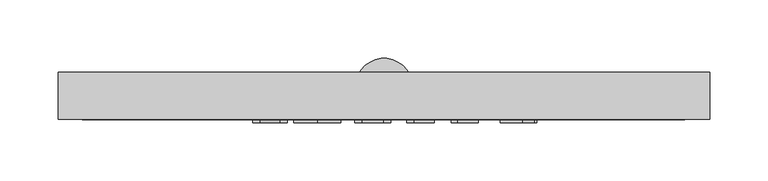
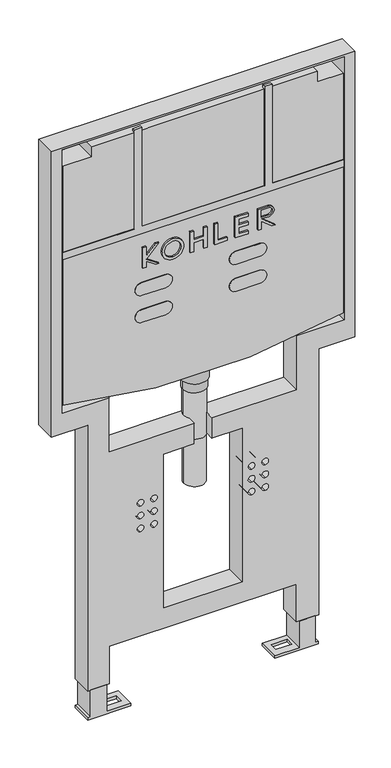
"""IFC4 building model written with IfcOpenShell, lengths in millimetres: proxy geometry."""

from ifc_helpers import new_model, si_unit, point, frame, frame_2d, origin, place, context, project, spatial, polyline, circle_curve, trimmed, segment, composite_curve, outline, extrude, faceted_brep, source, transform, mapped, element, save
from ifc_brep_helpers import plane_surface, cylinder_surface, revolved_surface, advanced_brep


def generic_models_a94a00e4(model_context):
    return source(origin(), model_context, "Body", "SolidModel", [
        faceted_brep([(172.0, -11.0, -1113.8624091), (172.0, -11.0, -1118.8624091), (172.0, -26.0, -1118.8624091), (172.0, -26.0, -1113.8624091), (142.0, -11.0, -1113.8624091), (142.0, -11.0, -1118.8624091), (142.0, -26.0, -1113.8624091), (142.0, -26.0, -1118.8624091), (132.0, -40.0, -1118.8624091), (212.0, -40.0, -1118.8624091), (212.0, -40.0, -1113.8624091), (207.0, -40.0, -1113.8624091), (207.0, -40.0, -1062.1624091), (177.0, -40.0, -1062.1624091), (177.0, -40.0, -1113.8624091), (132.0, -40.0, -1113.8624091), (132.0, 0.0, -1118.8624091), (132.0, 0.0, -1113.8624091), (177.0, 0.0, -1113.8624091), (177.0, 0.0, -1062.1624091), (207.0, 0.0, -1062.1624091), (207.0, 0.0, -1113.8624091), (212.0, 0.0, -1113.8624091), (212.0, 0.0, -1118.8624091)], [[[0, 1, 2, 3]], [[1, 0, 4, 5]], [[5, 4, 6, 7]], [[3, 2, 7, 6]], [[8, 9, 10, 11, 12, 13, 14, 15]], [[16, 17, 18, 19, 20, 21, 22, 23]], [[8, 15, 17, 16]], [[15, 14, 18, 17], [0, 3, 6, 4]], [[14, 13, 19, 18]], [[13, 12, 20, 19]], [[12, 11, 21, 20]], [[11, 10, 22, 21]], [[10, 9, 23, 22]], [[9, 8, 16, 23], [2, 1, 5, 7]]]),
        faceted_brep([(-143.0, -11.0, -1113.8624091), (-143.0, -11.0, -1118.8624091), (-143.0, -26.0, -1118.8624091), (-143.0, -26.0, -1113.8624091), (-173.0, -11.0, -1113.8624091), (-173.0, -11.0, -1118.8624091), (-173.0, -26.0, -1113.8624091), (-173.0, -26.0, -1118.8624091), (-178.0, -40.0, -1113.8624091), (-178.0, -40.0, -1062.1624091), (-208.0, -40.0, -1062.1624091), (-208.0, -40.0, -1113.8624091), (-213.0, -40.0, -1113.8624091), (-213.0, -40.0, -1118.8624091), (-133.0, -40.0, -1118.8624091), (-133.0, -40.0, -1113.8624091), (-178.0, 0.0, -1113.8624091), (-133.0, 0.0, -1113.8624091), (-133.0, 0.0, -1118.8624091), (-213.0, 0.0, -1118.8624091), (-213.0, 0.0, -1113.8624091), (-208.0, 0.0, -1113.8624091), (-208.0, 0.0, -1062.1624091), (-178.0, 0.0, -1062.1624091)], [[[0, 1, 2, 3]], [[1, 0, 4, 5]], [[5, 4, 6, 7]], [[3, 2, 7, 6]], [[8, 9, 10, 11, 12, 13, 14, 15]], [[16, 17, 18, 19, 20, 21, 22, 23]], [[8, 15, 17, 16], [0, 3, 6, 4]], [[15, 14, 18, 17]], [[14, 13, 19, 18], [2, 1, 5, 7]], [[13, 12, 20, 19]], [[12, 11, 21, 20]], [[11, 10, 22, 21]], [[10, 9, 23, 22]], [[9, 8, 16, 23]]]),
        extrude(outline(composite_curve([segment(trimmed(circle_curve(frame_2d((-2891.792705, 9.057781)), 2896.5995088), [point((2.2265655, -113.1763227))], [point((1.6013198, -127.1763227))], False, "CARTESIAN"), True, "CONTINUOUS"), segment(polyline([(1.6013198, -127.1763227), (-190.905726, -127.1763227), (-190.905726, -259.3019083), (-204.905726, -259.3019083), (-204.905726, 258.5644028), (-190.905726, 258.5644028), (-190.905726, 126.8236773), (2.411833, 126.8236773)]), True, "CONTINUOUS"), segment(trimmed(circle_curve(frame_2d((-2891.7927047, 9.057781)), 2896.5995085), [point((2.411833, 126.8236773))], [point((2.9475861, 112.8236773))], False, "CARTESIAN"), True, "CONTINUOUS"), segment(polyline([(2.9475861, 112.8236773), (-190.905726, 112.8236773), (-190.905726, -113.1763227), (2.2265655, -113.1763227)]), True, "CONTINUOUS")], self_intersect=False)), frame((0.0, -40.7342023, 0.0), z_axis=(0.0, 1.0, 0.0), x_axis=(0.0, 0.0, 1.0)), (0.0, 0.0, 1.0), 5.2342023),
        extrude(outline(composite_curve([segment(polyline([(-377.7772284, -113.1763227), (-377.7772284, -69.562992)]), True, "CONTINUOUS"), segment(trimmed(circle_curve(frame_2d((-365.2772284, -69.562992)), 12.5), [point((-377.7772284, -69.562992))], [point((-352.7772284, -69.562992))], False, "CARTESIAN"), True, "CONTINUOUS"), segment(polyline([(-352.7772284, -69.562992), (-352.7772284, -113.1763227)]), True, "CONTINUOUS"), segment(trimmed(circle_curve(frame_2d((-365.2772284, -113.1763227)), 12.5), [point((-352.7772284, -113.1763227))], [point((-377.7772284, -113.1763227))], False, "CARTESIAN"), True, "CONTINUOUS")], self_intersect=False)), frame((0.0, -40.7342023, 0.0), z_axis=(0.0, 1.0, 0.0), x_axis=(0.0, 0.0, 1.0)), (0.0, 0.0, 1.0), 5.2342023),
        extrude(outline(composite_curve([segment(polyline([(-300.1626026, -69.562992), (-300.1626026, -113.1763227)]), True, "CONTINUOUS"), segment(trimmed(circle_curve(frame_2d((-312.6626026, -113.1763227)), 12.5), [point((-300.1626026, -113.1763227))], [point((-325.1626026, -113.1763227))], False, "CARTESIAN"), True, "CONTINUOUS"), segment(polyline([(-325.1626026, -113.1763227), (-325.1626026, -69.562992)]), True, "CONTINUOUS"), segment(trimmed(circle_curve(frame_2d((-312.6626026, -69.562992)), 12.5), [point((-325.1626026, -69.562992))], [point((-300.1626026, -69.562992))], False, "CARTESIAN"), True, "CONTINUOUS")], self_intersect=False)), frame((0.0, -40.7342023, 0.0), z_axis=(0.0, 1.0, 0.0), x_axis=(0.0, 0.0, 1.0)), (0.0, 0.0, 1.0), 5.2342023),
        extrude(outline(composite_curve([segment(trimmed(circle_curve(frame_2d((-312.6626026, 104.1723913)), 12.5), [point((-325.1626026, 104.1723913))], [point((-300.1626026, 104.1723913))], False, "CARTESIAN"), True, "CONTINUOUS"), segment(polyline([(-300.1626026, 104.1723913), (-300.1626026, 60.5590606)]), True, "CONTINUOUS"), segment(trimmed(circle_curve(frame_2d((-312.6626026, 60.5590606)), 12.5), [point((-300.1626026, 60.5590606))], [point((-325.1626026, 60.5590606))], False, "CARTESIAN"), True, "CONTINUOUS"), segment(polyline([(-325.1626026, 60.5590606), (-325.1626026, 104.1723913)]), True, "CONTINUOUS")], self_intersect=False)), frame((0.0, -40.7342023, 0.0), z_axis=(0.0, 1.0, 0.0), x_axis=(0.0, 0.0, 1.0)), (0.0, 0.0, 1.0), 5.2342023),
        extrude(outline(composite_curve([segment(polyline([(-377.7772284, 60.5590606), (-377.7772284, 104.1723913)]), True, "CONTINUOUS"), segment(trimmed(circle_curve(frame_2d((-365.2772284, 104.1723913)), 12.5), [point((-377.7772284, 104.1723913))], [point((-352.7772284, 104.1723913))], False, "CARTESIAN"), True, "CONTINUOUS"), segment(polyline([(-352.7772284, 104.1723913), (-352.7772284, 60.5590606)]), True, "CONTINUOUS"), segment(trimmed(circle_curve(frame_2d((-365.2772284, 60.5590606)), 12.5), [point((-352.7772284, 60.5590606))], [point((-377.7772284, 60.5590606))], False, "CARTESIAN"), True, "CONTINUOUS")], self_intersect=False)), frame((0.0, -40.7342023, 0.0), z_axis=(0.0, 1.0, 0.0), x_axis=(0.0, 0.0, 1.0)), (0.0, 0.0, 1.0), 5.2342023),
        advanced_brep(
        [(19.0, -11.7085467, -557.4124091), (-19.0, -11.7085467, -557.4124091), (-19.0, -11.7085467, -609.1624091), (-16.2144977, -21.6125895, -609.1624091), (-16.2144977, -21.6125895, -649.1624091), (16.2144977, -21.6125895, -649.1624091), (16.2144977, -21.6125895, -609.1624091), (19.0, -11.7085467, -609.1624091), (16.2144977, -1.8045038, -609.1624091), (16.2144977, -1.8045038, -649.1624091), (-16.2144977, -1.8045038, -649.1624091), (-16.2144977, -1.8045038, -609.1624091), (-21.5, -11.7085467, -557.4124091), (21.5, -11.7085467, -557.4124091), (21.5, -11.7085467, -538.6624091), (-21.5, -11.7085467, -538.6624091), (-24.0, -11.7085467, -514.9124091), (24.0, -11.7085467, -514.9124091), (-24.0, -11.7085467, -538.6624091), (24.0, -11.7085467, -538.6624091), (19.0, -11.7085467, -742.1624091), (-19.0, -11.7085467, -742.1624091), (19.0, -11.7085467, -649.1624091), (-19.0, -11.7085467, -649.1624091), (280.0, -40.0, 12.8375909), (-280.0, -40.0, 12.8375909), (-280.0, -40.0, -544.1624091), (-213.0, -40.0, -544.1624091), (-213.0, -40.0, -1062.1624091), (-173.0, -40.0, -1062.1624091), (-173.0, -40.0, -989.1624091), (172.0, -40.0, -989.1624091), (172.0, -40.0, -1062.1624091), (213.0, -40.0, -1062.1624091), (213.0, -40.0, -544.1624091), (280.0, -40.0, -544.1624091), (114.5, -40.0, -785.2548396), (114.5, -40.0, -773.2548396), (89.5, -40.0, -785.2548396), (89.5, -40.0, -773.2548396), (89.5, -40.0, -760.2548396), (89.5, -40.0, -748.2548396), (114.5, -40.0, -735.2548396), (114.5, -40.0, -723.2548396), (-90.5, -40.0, -785.2548396), (-90.5, -40.0, -773.2548396), (-90.5, -40.0, -760.2548396), (-90.5, -40.0, -748.2548396), (-115.5, -40.0, -735.2548396), (-115.5, -40.0, -723.2548396), (-90.5, -40.0, -735.2548396), (-90.5, -40.0, -723.2548396), (-115.5, -40.0, -760.2548396), (-115.5, -40.0, -748.2548396), (-115.5, -40.0, -785.2548396), (-115.5, -40.0, -773.2548396), (89.5, -40.0, -735.2548396), (89.5, -40.0, -723.2548396), (114.5, -40.0, -760.2548396), (114.5, -40.0, -748.2548396), (-16.2144977, -40.0, -649.1624091), (-16.2144977, -40.0, -609.1624091), (-173.0, -40.0, -609.1624091), (-173.0, -40.0, -504.1624091), (-260.0, -40.0, -504.1624091), (-260.0, -40.0, 9.2375909), (260.0, -40.0, 9.2375909), (260.0, -40.0, -504.1624091), (172.0, -40.0, -504.1624091), (172.0, -40.0, -609.1624091), (16.2144977, -40.0, -609.1624091), (16.2144977, -40.0, -649.1624091), (72.0, -40.0, -649.1624091), (72.0, -40.0, -949.1624091), (-73.0, -40.0, -949.1624091), (-73.0, -40.0, -649.1624091), (280.0, 0.0, 12.8375909), (280.0, 0.0, -544.1624091), (213.0, 0.0, -544.1624091), (213.0, 0.0, -1062.1624091), (172.0, 0.0, -1062.1624091), (172.0, 0.0, -989.1624091), (-173.0, 0.0, -989.1624091), (-173.0, 0.0, -1062.1624091), (-213.0, 0.0, -1062.1624091), (-213.0, 0.0, -544.1624091), (-280.0, 0.0, -544.1624091), (-280.0, 0.0, 12.8375909), (114.5, 0.0, -785.2548396), (114.5, 0.0, -773.2548396), (89.5, 0.0, -785.2548396), (89.5, 0.0, -773.2548396), (89.5, 0.0, -760.2548396), (89.5, 0.0, -748.2548396), (114.5, 0.0, -735.2548396), (114.5, 0.0, -723.2548396), (-90.5, 0.0, -785.2548396), (-90.5, 0.0, -773.2548396), (-90.5, 0.0, -760.2548396), (-90.5, 0.0, -748.2548396), (-115.5, 0.0, -735.2548396), (-115.5, 0.0, -723.2548396), (-90.5, 0.0, -735.2548396), (-90.5, 0.0, -723.2548396), (-115.5, 0.0, -760.2548396), (-115.5, 0.0, -748.2548396), (-115.5, 0.0, -785.2548396), (-115.5, 0.0, -773.2548396), (89.5, 0.0, -735.2548396), (89.5, 0.0, -723.2548396), (114.5, 0.0, -760.2548396), (114.5, 0.0, -748.2548396), (-16.2144977, 0.0, -649.1624091), (-73.0, 0.0, -649.1624091), (-73.0, 0.0, -949.1624091), (72.0, 0.0, -949.1624091), (72.0, 0.0, -649.1624091), (16.2144977, 0.0, -649.1624091), (16.2144977, 0.0, -609.1624091), (172.0, 0.0, -609.1624091), (172.0, 0.0, -504.1624091), (260.0, 0.0, -504.1624091), (260.0, 0.0, 9.2375909), (-260.0, 0.0, 9.2375909), (-260.0, 0.0, -504.1624091), (-173.0, 0.0, -504.1624091), (-173.0, 0.0, -609.1624091), (-16.2144977, 0.0, -609.1624091)],
        [
            (0, 1, circle_curve(frame((0.0, -11.7085467, -557.4124091), z_axis=(0.0, 0.0, -1.0), x_axis=(0.0, 1.0, 0.0)), 19.0)),
            (1, 2),
            (2, 3, circle_curve(frame((0.0, -11.7085467, -609.1624091), z_axis=(0.0, 0.0, 1.0), x_axis=(0.0, 1.0, 0.0)), 19.0)),
            (3, 4),
            (4, 5, circle_curve(frame((0.0, -11.7085467, -649.1624091), z_axis=(0.0, 0.0, 1.0), x_axis=(0.0, 1.0, 0.0)), 19.0)),
            (5, 6),
            (6, 7, circle_curve(frame((0.0, -11.7085467, -609.1624091), z_axis=(0.0, 0.0, 1.0), x_axis=(0.0, 1.0, 0.0)), 19.0)),
            (7, 0),
            (1, 0, circle_curve(frame((0.0, -11.7085467, -557.4124091), z_axis=(0.0, 0.0, -1.0), x_axis=(0.0, 1.0, 0.0)), 19.0)),
            (7, 8, circle_curve(frame((0.0, -11.7085467, -609.1624091), z_axis=(0.0, 0.0, 1.0), x_axis=(0.0, 1.0, 0.0)), 19.0)),
            (8, 9),
            (9, 10, circle_curve(frame((0.0, -11.7085467, -649.1624091), z_axis=(0.0, 0.0, 1.0), x_axis=(0.0, 1.0, 0.0)), 19.0)),
            (10, 11),
            (11, 2, circle_curve(frame((0.0, -11.7085467, -609.1624091), z_axis=(0.0, 0.0, 1.0), x_axis=(0.0, 1.0, 0.0)), 19.0)),
            (12, 13, circle_curve(frame((0.0, -11.7085467, -557.4124091), z_axis=(0.0, 0.0, -1.0), x_axis=(-1.0, 0.0, 0.0)), 21.5)),
            (13, 12, circle_curve(frame((0.0, -11.7085467, -557.4124091), z_axis=(0.0, 0.0, -1.0), x_axis=(-1.0, 0.0, 0.0)), 21.5)),
            (13, 14),
            (14, 15, circle_curve(frame((0.0, -11.7085467, -538.6624091), z_axis=(0.0, 0.0, -1.0), x_axis=(-1.0, 0.0, 0.0)), 21.5)),
            (15, 12),
            (15, 14, circle_curve(frame((0.0, -11.7085467, -538.6624091), z_axis=(0.0, 0.0, -1.0), x_axis=(-1.0, 0.0, 0.0)), 21.5)),
            (16, 17, circle_curve(frame((0.0, -11.7085467, -514.9124091), z_axis=(0.0, 0.0, 1.0), x_axis=(0.0, -1.0, 0.0)), 24.0)),
            (17, 16, circle_curve(frame((0.0, -11.7085467, -514.9124091), z_axis=(0.0, 0.0, 1.0), x_axis=(0.0, -1.0, 0.0)), 24.0)),
            (18, 19, circle_curve(frame((0.0, -11.7085467, -538.6624091), z_axis=(0.0, 0.0, -1.0), x_axis=(0.0, -1.0, 0.0)), 24.0)),
            (19, 18, circle_curve(frame((0.0, -11.7085467, -538.6624091), z_axis=(0.0, 0.0, -1.0), x_axis=(0.0, -1.0, 0.0)), 24.0)),
            (16, 18),
            (19, 17),
            (20, 21, circle_curve(frame((0.0, -11.7085467, -742.1624091), z_axis=(0.0, 0.0, -1.0), x_axis=(0.0, -1.0, 0.0)), 19.0)),
            (21, 20, circle_curve(frame((0.0, -11.7085467, -742.1624091), z_axis=(0.0, 0.0, -1.0), x_axis=(0.0, -1.0, 0.0)), 19.0)),
            (20, 22),
            (22, 5, circle_curve(frame((0.0, -11.7085467, -649.1624091), z_axis=(0.0, 0.0, -1.0), x_axis=(0.0, -1.0, 0.0)), 19.0)),
            (4, 23, circle_curve(frame((0.0, -11.7085467, -649.1624091), z_axis=(0.0, 0.0, -1.0), x_axis=(0.0, -1.0, 0.0)), 19.0)),
            (23, 21),
            (23, 10, circle_curve(frame((0.0, -11.7085467, -649.1624091), z_axis=(0.0, 0.0, -1.0), x_axis=(0.0, -1.0, 0.0)), 19.0)),
            (9, 22, circle_curve(frame((0.0, -11.7085467, -649.1624091), z_axis=(0.0, 0.0, -1.0), x_axis=(0.0, -1.0, 0.0)), 19.0)),
            (24, 25),
            (25, 26),
            (26, 27),
            (27, 28),
            (28, 29),
            (29, 30),
            (30, 31),
            (31, 32),
            (32, 33),
            (33, 34),
            (34, 35),
            (35, 24),
            (36, 37, circle_curve(frame((114.5, -40.0, -779.2548396), z_axis=(0.0, 1.0, 0.0), x_axis=(0.0, 0.0, 1.0)), 6.0)),
            (37, 36, circle_curve(frame((114.5, -40.0, -779.2548396), z_axis=(0.0, 1.0, 0.0), x_axis=(0.0, 0.0, 1.0)), 6.0)),
            (38, 39, circle_curve(frame((89.5, -40.0, -779.2548396), z_axis=(0.0, 1.0, 0.0), x_axis=(0.0, 0.0, 1.0)), 6.0)),
            (39, 38, circle_curve(frame((89.5, -40.0, -779.2548396), z_axis=(0.0, 1.0, 0.0), x_axis=(0.0, 0.0, 1.0)), 6.0)),
            (40, 41, circle_curve(frame((89.5, -40.0, -754.2548396), z_axis=(0.0, 1.0, 0.0), x_axis=(0.0, 0.0, 1.0)), 6.0)),
            (41, 40, circle_curve(frame((89.5, -40.0, -754.2548396), z_axis=(0.0, 1.0, 0.0), x_axis=(0.0, 0.0, 1.0)), 6.0)),
            (42, 43, circle_curve(frame((114.5, -40.0, -729.2548396), z_axis=(0.0, 1.0, 0.0), x_axis=(0.0, 0.0, 1.0)), 6.0)),
            (43, 42, circle_curve(frame((114.5, -40.0, -729.2548396), z_axis=(0.0, 1.0, 0.0), x_axis=(0.0, 0.0, 1.0)), 6.0)),
            (44, 45, circle_curve(frame((-90.5, -40.0, -779.2548396), z_axis=(0.0, 1.0, 0.0), x_axis=(0.0, 0.0, 1.0)), 6.0)),
            (45, 44, circle_curve(frame((-90.5, -40.0, -779.2548396), z_axis=(0.0, 1.0, 0.0), x_axis=(0.0, 0.0, 1.0)), 6.0)),
            (46, 47, circle_curve(frame((-90.5, -40.0, -754.2548396), z_axis=(0.0, 1.0, 0.0), x_axis=(0.0, 0.0, 1.0)), 6.0)),
            (47, 46, circle_curve(frame((-90.5, -40.0, -754.2548396), z_axis=(0.0, 1.0, 0.0), x_axis=(0.0, 0.0, 1.0)), 6.0)),
            (48, 49, circle_curve(frame((-115.5, -40.0, -729.2548396), z_axis=(0.0, 1.0, 0.0), x_axis=(0.0, 0.0, 1.0)), 6.0)),
            (49, 48, circle_curve(frame((-115.5, -40.0, -729.2548396), z_axis=(0.0, 1.0, 0.0), x_axis=(0.0, 0.0, 1.0)), 6.0)),
            (50, 51, circle_curve(frame((-90.5, -40.0, -729.2548396), z_axis=(0.0, 1.0, 0.0), x_axis=(0.0, 0.0, 1.0)), 6.0)),
            (51, 50, circle_curve(frame((-90.5, -40.0, -729.2548396), z_axis=(0.0, 1.0, 0.0), x_axis=(0.0, 0.0, 1.0)), 6.0)),
            (52, 53, circle_curve(frame((-115.5, -40.0, -754.2548396), z_axis=(0.0, 1.0, 0.0), x_axis=(0.0, 0.0, 1.0)), 6.0)),
            (53, 52, circle_curve(frame((-115.5, -40.0, -754.2548396), z_axis=(0.0, 1.0, 0.0), x_axis=(0.0, 0.0, 1.0)), 6.0)),
            (54, 55, circle_curve(frame((-115.5, -40.0, -779.2548396), z_axis=(0.0, 1.0, 0.0), x_axis=(0.0, 0.0, 1.0)), 6.0)),
            (55, 54, circle_curve(frame((-115.5, -40.0, -779.2548396), z_axis=(0.0, 1.0, 0.0), x_axis=(0.0, 0.0, 1.0)), 6.0)),
            (56, 57, circle_curve(frame((89.5, -40.0, -729.2548396), z_axis=(0.0, 1.0, 0.0), x_axis=(0.0, 0.0, 1.0)), 6.0)),
            (57, 56, circle_curve(frame((89.5, -40.0, -729.2548396), z_axis=(0.0, 1.0, 0.0), x_axis=(0.0, 0.0, 1.0)), 6.0)),
            (58, 59, circle_curve(frame((114.5, -40.0, -754.2548396), z_axis=(0.0, 1.0, 0.0), x_axis=(0.0, 0.0, 1.0)), 6.0)),
            (59, 58, circle_curve(frame((114.5, -40.0, -754.2548396), z_axis=(0.0, 1.0, 0.0), x_axis=(0.0, 0.0, 1.0)), 6.0)),
            (60, 61),
            (61, 62),
            (62, 63),
            (63, 64),
            (64, 65),
            (65, 66),
            (66, 67),
            (67, 68),
            (68, 69),
            (69, 70),
            (70, 71),
            (71, 72),
            (72, 73),
            (73, 74),
            (74, 75),
            (75, 60),
            (76, 77),
            (77, 78),
            (78, 79),
            (79, 80),
            (80, 81),
            (81, 82),
            (82, 83),
            (83, 84),
            (84, 85),
            (85, 86),
            (86, 87),
            (87, 76),
            (88, 89, circle_curve(frame((114.5, 0.0, -779.2548396), z_axis=(0.0, -1.0, 0.0), x_axis=(0.0, 0.0, 1.0)), 6.0)),
            (89, 88, circle_curve(frame((114.5, 0.0, -779.2548396), z_axis=(0.0, -1.0, 0.0), x_axis=(0.0, 0.0, 1.0)), 6.0)),
            (90, 91, circle_curve(frame((89.5, 0.0, -779.2548396), z_axis=(0.0, -1.0, 0.0), x_axis=(0.0, 0.0, 1.0)), 6.0)),
            (91, 90, circle_curve(frame((89.5, 0.0, -779.2548396), z_axis=(0.0, -1.0, 0.0), x_axis=(0.0, 0.0, 1.0)), 6.0)),
            (92, 93, circle_curve(frame((89.5, 0.0, -754.2548396), z_axis=(0.0, -1.0, 0.0), x_axis=(0.0, 0.0, 1.0)), 6.0)),
            (93, 92, circle_curve(frame((89.5, 0.0, -754.2548396), z_axis=(0.0, -1.0, 0.0), x_axis=(0.0, 0.0, 1.0)), 6.0)),
            (94, 95, circle_curve(frame((114.5, 0.0, -729.2548396), z_axis=(0.0, -1.0, 0.0), x_axis=(0.0, 0.0, 1.0)), 6.0)),
            (95, 94, circle_curve(frame((114.5, 0.0, -729.2548396), z_axis=(0.0, -1.0, 0.0), x_axis=(0.0, 0.0, 1.0)), 6.0)),
            (96, 97, circle_curve(frame((-90.5, 0.0, -779.2548396), z_axis=(0.0, -1.0, 0.0), x_axis=(0.0, 0.0, 1.0)), 6.0)),
            (97, 96, circle_curve(frame((-90.5, 0.0, -779.2548396), z_axis=(0.0, -1.0, 0.0), x_axis=(0.0, 0.0, 1.0)), 6.0)),
            (98, 99, circle_curve(frame((-90.5, 0.0, -754.2548396), z_axis=(0.0, -1.0, 0.0), x_axis=(0.0, 0.0, 1.0)), 6.0)),
            (99, 98, circle_curve(frame((-90.5, 0.0, -754.2548396), z_axis=(0.0, -1.0, 0.0), x_axis=(0.0, 0.0, 1.0)), 6.0)),
            (100, 101, circle_curve(frame((-115.5, 0.0, -729.2548396), z_axis=(0.0, -1.0, 0.0), x_axis=(0.0, 0.0, 1.0)), 6.0)),
            (101, 100, circle_curve(frame((-115.5, 0.0, -729.2548396), z_axis=(0.0, -1.0, 0.0), x_axis=(0.0, 0.0, 1.0)), 6.0)),
            (102, 103, circle_curve(frame((-90.5, 0.0, -729.2548396), z_axis=(0.0, -1.0, 0.0), x_axis=(0.0, 0.0, 1.0)), 6.0)),
            (103, 102, circle_curve(frame((-90.5, 0.0, -729.2548396), z_axis=(0.0, -1.0, 0.0), x_axis=(0.0, 0.0, 1.0)), 6.0)),
            (104, 105, circle_curve(frame((-115.5, 0.0, -754.2548396), z_axis=(0.0, -1.0, 0.0), x_axis=(0.0, 0.0, 1.0)), 6.0)),
            (105, 104, circle_curve(frame((-115.5, 0.0, -754.2548396), z_axis=(0.0, -1.0, 0.0), x_axis=(0.0, 0.0, 1.0)), 6.0)),
            (106, 107, circle_curve(frame((-115.5, 0.0, -779.2548396), z_axis=(0.0, -1.0, 0.0), x_axis=(0.0, 0.0, 1.0)), 6.0)),
            (107, 106, circle_curve(frame((-115.5, 0.0, -779.2548396), z_axis=(0.0, -1.0, 0.0), x_axis=(0.0, 0.0, 1.0)), 6.0)),
            (108, 109, circle_curve(frame((89.5, 0.0, -729.2548396), z_axis=(0.0, -1.0, 0.0), x_axis=(0.0, 0.0, 1.0)), 6.0)),
            (109, 108, circle_curve(frame((89.5, 0.0, -729.2548396), z_axis=(0.0, -1.0, 0.0), x_axis=(0.0, 0.0, 1.0)), 6.0)),
            (110, 111, circle_curve(frame((114.5, 0.0, -754.2548396), z_axis=(0.0, -1.0, 0.0), x_axis=(0.0, 0.0, 1.0)), 6.0)),
            (111, 110, circle_curve(frame((114.5, 0.0, -754.2548396), z_axis=(0.0, -1.0, 0.0), x_axis=(0.0, 0.0, 1.0)), 6.0)),
            (112, 113),
            (113, 114),
            (114, 115),
            (115, 116),
            (116, 117),
            (117, 118),
            (118, 119),
            (119, 120),
            (120, 121),
            (121, 122),
            (122, 123),
            (123, 124),
            (124, 125),
            (125, 126),
            (126, 127),
            (127, 112),
            (35, 77),
            (76, 24),
            (34, 78),
            (33, 79),
            (32, 80),
            (31, 81),
            (30, 82),
            (29, 83),
            (28, 84),
            (27, 85),
            (26, 86),
            (25, 87),
            (37, 89),
            (88, 36),
            (39, 91),
            (90, 38),
            (41, 93),
            (92, 40),
            (43, 95),
            (94, 42),
            (45, 97),
            (96, 44),
            (47, 99),
            (98, 46),
            (49, 101),
            (100, 48),
            (51, 103),
            (102, 50),
            (53, 105),
            (104, 52),
            (55, 107),
            (106, 54),
            (57, 109),
            (108, 56),
            (59, 111),
            (110, 58),
            (75, 113),
            (112, 10),
            (4, 60),
            (74, 114),
            (73, 115),
            (72, 116),
            (71, 5),
            (9, 117),
            (70, 6),
            (8, 118),
            (69, 119),
            (68, 120),
            (67, 121),
            (66, 122),
            (65, 123),
            (64, 124),
            (63, 125),
            (62, 126),
            (61, 3),
            (11, 127),
        ],
        [
            cylinder_surface(frame((0.0, -11.7085467, -557.4124091), z_axis=(0.0, 0.0, -1.0), x_axis=(0.0, 1.0, 0.0)), 19.0),
            plane_surface(frame((-21.5, -11.7085467, -557.4124091), z_axis=(0.0, 0.0, -1.0), x_axis=(0.0, 1.0, 0.0))),
            cylinder_surface(frame((0.0, -11.7085467, -557.4124091), z_axis=(0.0, 0.0, 1.0), x_axis=(-1.0, 0.0, 0.0)), 21.5),
            plane_surface(frame((0.0, -35.7085467, -514.9124091), z_axis=(0.0, 0.0, 1.0), x_axis=(1.0, 0.0, 0.0))),
            plane_surface(frame((0.0, -35.7085467, -538.6624091), z_axis=(0.0, 0.0, -1.0), x_axis=(-1.0, 0.0, 0.0))),
            cylinder_surface(frame((0.0, -11.7085467, -538.6624091), z_axis=(0.0, 0.0, 1.0), x_axis=(0.0, -1.0, 0.0)), 24.0),
            plane_surface(frame((0.0, -30.7085467, -742.1624091), z_axis=(0.0, 0.0, -1.0), x_axis=(-1.0, 0.0, 0.0))),
            cylinder_surface(frame((0.0, -11.7085467, -649.1624091), z_axis=(0.0, 0.0, -1.0), x_axis=(0.0, -1.0, 0.0)), 19.0),
            plane_surface(frame((280.0, -40.0, 12.8375909), z_axis=(0.0, -1.0, 0.0), x_axis=(0.0, 0.0, 1.0))),
            plane_surface(frame((280.0, 0.0, 12.8375909), z_axis=(0.0, 1.0, 0.0), x_axis=(0.0, 0.0, -1.0))),
            plane_surface(frame((280.0, 0.0, 12.8375909), z_axis=(1.0, 0.0, 0.0), x_axis=(0.0, -1.0, 0.0))),
            plane_surface(frame((280.0, 0.0, -544.1624091), z_axis=(0.0, 0.0, -1.0), x_axis=(0.0, -1.0, 0.0))),
            plane_surface(frame((213.0, 0.0, -544.1624091), z_axis=(1.0, 0.0, 0.0), x_axis=(0.0, -1.0, 0.0))),
            plane_surface(frame((213.0, 0.0, -1062.1624091), z_axis=(0.0, 0.0, -1.0), x_axis=(0.0, -1.0, 0.0))),
            plane_surface(frame((172.0, 0.0, -1062.1624091), z_axis=(-1.0, 0.0, 0.0), x_axis=(0.0, -1.0, 0.0))),
            plane_surface(frame((172.0, 0.0, -989.1624091), z_axis=(0.0, 0.0, -1.0), x_axis=(0.0, -1.0, 0.0))),
            plane_surface(frame((-173.0, 0.0, -989.1624091), z_axis=(1.0, 0.0, 0.0), x_axis=(0.0, -1.0, 0.0))),
            plane_surface(frame((-173.0, 0.0, -1062.1624091), z_axis=(0.0, 0.0, -1.0), x_axis=(0.0, -1.0, 0.0))),
            plane_surface(frame((-213.0, 0.0, -1062.1624091), z_axis=(-1.0, 0.0, 0.0), x_axis=(0.0, -1.0, 0.0))),
            plane_surface(frame((-213.0, 0.0, -544.1624091), z_axis=(0.0, 0.0, -1.0), x_axis=(0.0, -1.0, 0.0))),
            plane_surface(frame((-280.0, 0.0, -544.1624091), z_axis=(-1.0, 0.0, 0.0), x_axis=(0.0, -1.0, 0.0))),
            plane_surface(frame((-280.0, 0.0, 12.8375909), z_axis=(0.0, 0.0, 1.0), x_axis=(0.0, -1.0, 0.0))),
            revolved_surface(polyline([(114.5, -40.0, -773.2548396), (114.5, 0.0, -773.2548396)]), (114.5, 0.0, -779.2548396), (0.0, -1.0, 0.0)),
            revolved_surface(polyline([(89.5, -40.0, -773.2548396), (89.5, 0.0, -773.2548396)]), (89.5, 0.0, -779.2548396), (0.0, -1.0, 0.0)),
            revolved_surface(polyline([(89.5, -40.0, -748.2548396), (89.5, 0.0, -748.2548396)]), (89.5, 0.0, -754.2548396), (0.0, -1.0, 0.0)),
            revolved_surface(polyline([(114.5, -40.0, -723.2548396), (114.5, 0.0, -723.2548396)]), (114.5, 0.0, -729.2548396), (0.0, -1.0, 0.0)),
            revolved_surface(polyline([(-90.5, -40.0, -773.2548396), (-90.5, 0.0, -773.2548396)]), (-90.5, 0.0, -779.2548396), (0.0, -1.0, 0.0)),
            revolved_surface(polyline([(-90.5, -40.0, -748.2548396), (-90.5, 0.0, -748.2548396)]), (-90.5, 0.0, -754.2548396), (0.0, -1.0, 0.0)),
            revolved_surface(polyline([(-115.5, -40.0, -723.2548396), (-115.5, 0.0, -723.2548396)]), (-115.5, 0.0, -729.2548396), (0.0, -1.0, 0.0)),
            revolved_surface(polyline([(-90.5, -40.0, -723.2548396), (-90.5, 0.0, -723.2548396)]), (-90.5, 0.0, -729.2548396), (0.0, -1.0, 0.0)),
            revolved_surface(polyline([(-115.5, -40.0, -748.2548396), (-115.5, 0.0, -748.2548396)]), (-115.5, 0.0, -754.2548396), (0.0, -1.0, 0.0)),
            revolved_surface(polyline([(-115.5, -40.0, -773.2548396), (-115.5, 0.0, -773.2548396)]), (-115.5, 0.0, -779.2548396), (0.0, -1.0, 0.0)),
            revolved_surface(polyline([(89.5, -40.0, -723.2548396), (89.5, 0.0, -723.2548396)]), (89.5, 0.0, -729.2548396), (0.0, -1.0, 0.0)),
            revolved_surface(polyline([(114.5, -40.0, -748.2548396), (114.5, 0.0, -748.2548396)]), (114.5, 0.0, -754.2548396), (0.0, -1.0, 0.0)),
            plane_surface(frame((-16.2144977, 0.0, -649.1624091), z_axis=(0.0, 0.0, -1.0), x_axis=(0.0, -1.0, 0.0))),
            plane_surface(frame((-73.0, 0.0, -649.1624091), z_axis=(1.0, 0.0, 0.0), x_axis=(0.0, -1.0, 0.0))),
            plane_surface(frame((-73.0, 0.0, -949.1624091), z_axis=(0.0, 0.0, 1.0), x_axis=(0.0, -1.0, 0.0))),
            plane_surface(frame((72.0, 0.0, -949.1624091), z_axis=(-1.0, 0.0, 0.0), x_axis=(0.0, -1.0, 0.0))),
            plane_surface(frame((72.0, 0.0, -649.1624091), z_axis=(0.0, 0.0, -1.0), x_axis=(0.0, -1.0, 0.0))),
            plane_surface(frame((16.2144977, 0.0, -649.1624091), z_axis=(-1.0, 0.0, 0.0), x_axis=(0.0, -1.0, 0.0))),
            plane_surface(frame((16.2144977, 0.0, -609.1624091), z_axis=(0.0, 0.0, 1.0), x_axis=(0.0, -1.0, 0.0))),
            plane_surface(frame((172.0, 0.0, -609.1624091), z_axis=(-1.0, 0.0, 0.0), x_axis=(0.0, -1.0, 0.0))),
            plane_surface(frame((172.0, 0.0, -504.1624091), z_axis=(0.0, 0.0, 1.0), x_axis=(0.0, -1.0, 0.0))),
            plane_surface(frame((260.0, 0.0, -504.1624091), z_axis=(-1.0, 0.0, 0.0), x_axis=(0.0, -1.0, 0.0))),
            plane_surface(frame((260.0, 0.0, 9.2375909), z_axis=(0.0, 0.0, -1.0), x_axis=(0.0, -1.0, 0.0))),
            plane_surface(frame((-260.0, 0.0, 9.2375909), z_axis=(1.0, 0.0, 0.0), x_axis=(0.0, -1.0, 0.0))),
            plane_surface(frame((-260.0, 0.0, -504.1624091), z_axis=(0.0, 0.0, 1.0), x_axis=(0.0, -1.0, 0.0))),
            plane_surface(frame((-173.0, 0.0, -504.1624091), z_axis=(1.0, 0.0, 0.0), x_axis=(0.0, -1.0, 0.0))),
            plane_surface(frame((-173.0, 0.0, -609.1624091), z_axis=(0.0, 0.0, 1.0), x_axis=(0.0, -1.0, 0.0))),
            plane_surface(frame((-16.2144977, 0.0, -609.1624091), z_axis=(1.0, 0.0, 0.0), x_axis=(0.0, -1.0, 0.0))),
        ],
        [
            (0, [[1, 2, 3, 4, 5, 6, 7, 8]]),
            (0, [[9, -8, 10, 11, 12, 13, 14, -2]]),
            (1, [[15, 16], [-1, -9]]),
            (2, [[-16, 17, 18, 19]]),
            (2, [[-15, -19, 20, -17]]),
            (3, [[21, 22]]),
            (4, [[23, 24], [-18, -20]]),
            (5, [[-21, 25, -24, 26]]),
            (5, [[-22, -26, -23, -25]]),
            (6, [[27, 28]]),
            (7, [[-27, 29, 30, -5, 31, 32]]),
            (7, [[-28, -32, 33, -12, 34, -29]]),
            (8, [[35, 36, 37, 38, 39, 40, 41, 42, 43, 44, 45, 46], [47, 48], [49, 50], [51, 52], [53, 54], [55, 56], [57, 58], [59, 60], [61, 62], [63, 64], [65, 66], [67, 68], [69, 70], [71, 72, 73, 74, 75, 76, 77, 78, 79, 80, 81, 82, 83, 84, 85, 86]]),
            (9, [[87, 88, 89, 90, 91, 92, 93, 94, 95, 96, 97, 98], [99, 100], [101, 102], [103, 104], [105, 106], [107, 108], [109, 110], [111, 112], [113, 114], [115, 116], [117, 118], [119, 120], [121, 122], [123, 124, 125, 126, 127, 128, 129, 130, 131, 132, 133, 134, 135, 136, 137, 138]]),
            (10, [[-46, 139, -87, 140]]),
            (11, [[-45, 141, -88, -139]]),
            (12, [[-44, 142, -89, -141]]),
            (13, [[-43, 143, -90, -142]]),
            (14, [[-42, 144, -91, -143]]),
            (15, [[-41, 145, -92, -144]]),
            (16, [[-40, 146, -93, -145]]),
            (17, [[-39, 147, -94, -146]]),
            (18, [[-38, 148, -95, -147]]),
            (19, [[-37, 149, -96, -148]]),
            (20, [[-36, 150, -97, -149]]),
            (21, [[-35, -140, -98, -150]]),
            (22, [[-48, 151, -99, 152]]),
            (22, [[-47, -152, -100, -151]]),
            (23, [[-50, 153, -101, 154]]),
            (23, [[-49, -154, -102, -153]]),
            (24, [[-52, 155, -103, 156]]),
            (24, [[-51, -156, -104, -155]]),
            (25, [[-54, 157, -105, 158]]),
            (25, [[-53, -158, -106, -157]]),
            (26, [[-56, 159, -107, 160]]),
            (26, [[-55, -160, -108, -159]]),
            (27, [[-58, 161, -109, 162]]),
            (27, [[-57, -162, -110, -161]]),
            (28, [[-60, 163, -111, 164]]),
            (28, [[-59, -164, -112, -163]]),
            (29, [[-62, 165, -113, 166]]),
            (29, [[-61, -166, -114, -165]]),
            (30, [[-64, 167, -115, 168]]),
            (30, [[-63, -168, -116, -167]]),
            (31, [[-66, 169, -117, 170]]),
            (31, [[-65, -170, -118, -169]]),
            (32, [[-68, 171, -119, 172]]),
            (32, [[-67, -172, -120, -171]]),
            (33, [[-70, 173, -121, 174]]),
            (33, [[-69, -174, -122, -173]]),
            (34, [[-86, 175, -123, 176, -33, -31, 177]]),
            (35, [[-85, 178, -124, -175]]),
            (36, [[-84, 179, -125, -178]]),
            (37, [[-83, 180, -126, -179]]),
            (38, [[-82, 181, -30, -34, 182, -127, -180]]),
            (39, [[-81, 183, -6, -181]]),
            (39, [[-128, -182, -11, 184]]),
            (40, [[-80, 185, -129, -184, -10, -7, -183]]),
            (41, [[-79, 186, -130, -185]]),
            (42, [[-78, 187, -131, -186]]),
            (43, [[-77, 188, -132, -187]]),
            (44, [[-76, 189, -133, -188]]),
            (45, [[-75, 190, -134, -189]]),
            (46, [[-74, 191, -135, -190]]),
            (47, [[-73, 192, -136, -191]]),
            (48, [[-72, 193, -3, -14, 194, -137, -192]]),
            (49, [[-71, -177, -4, -193]]),
            (49, [[-138, -194, -13, -176]]),
        ],
    ),
        extrude(outline(composite_curve([segment(trimmed(circle_curve(frame_2d((0.0, -11.7085467)), 20.0), [point((20.0, -11.7085467))], [point((-20.0, -11.7085467))], False, "CARTESIAN"), True, "CONTINUOUS"), segment(trimmed(circle_curve(frame_2d((0.0, -11.7085467)), 20.0), [point((-20.0, -11.7085467))], [point((20.0, -11.7085467))], False, "CARTESIAN"), True, "CONTINUOUS")], self_intersect=False)), frame((0.0, 0.0, -649.1624091), z_axis=(0.0, 0.0, 1.0), x_axis=(1.0, 0.0, 0.0)), (0.0, 0.0, 1.0), 92.0),
        extrude(outline(polyline([(-271.4252242, 19.62812), (-271.4252242, 43.1209734), (-265.4252242, 43.1209734), (-265.4252242, 25.62812), (-231.4252242, 25.62812), (-231.4252242, 19.62812), (-271.4252242, 19.62812)])), frame((0.0, -43.0, 0.0), z_axis=(0.0, 1.0, 0.0), x_axis=(0.0, 0.0, 1.0)), (0.0, 0.0, 1.0), 3.0),
        extrude(outline(polyline([(-271.4252242, -112.8968086), (-271.4252242, -106.8968086), (-259.3133336, -106.8968086), (-271.4252242, -89.1063532), (-271.4252242, -83.1063532), (-255.2284835, -106.8968086), (-231.4252242, -83.1063532), (-231.4252242, -89.1063532), (-249.2252543, -106.8968086), (-231.4252242, -106.8968086), (-231.4252242, -112.8968086), (-271.4252242, -112.8968086)])), frame((0.0, -43.0, 0.0), z_axis=(0.0, 1.0, 0.0), x_axis=(0.0, 0.0, 1.0)), (0.0, 0.0, 1.0), 3.0),
        extrude(outline(polyline([(-231.4252242, 57.5911062), (-271.4252242, 57.5911062), (-271.4252242, 81.0839596), (-265.4252242, 81.0839596), (-265.4252242, 63.5911062), (-253.8484503, 63.5911062), (-253.8484503, 81.0839596), (-247.8484503, 81.0839596), (-247.8484503, 63.5911062), (-237.4252242, 63.5911062), (-237.4252242, 81.0839596), (-231.4252242, 81.0839596), (-231.4252242, 63.5911062), (-231.4252242, 57.5911062)])), frame((0.0, -43.0, 0.0), z_axis=(0.0, 1.0, 0.0), x_axis=(0.0, 0.0, 1.0)), (0.0, 0.0, 1.0), 3.0),
        extrude(outline(polyline([(-271.4252242, -25.1763227), (-271.4252242, -19.1763227), (-254.4252242, -19.1763227), (-254.4252242, -0.1763227), (-271.4252242, -0.1763227), (-271.4252242, 5.8236773), (-231.4252242, 5.8236773), (-231.4252242, -0.1763227), (-248.4252242, -0.1763227), (-248.4252242, -19.1763227), (-231.4252242, -19.1763227), (-231.4252242, -25.1763227), (-271.4252242, -25.1763227)])), frame((0.0, -43.0, 0.0), z_axis=(0.0, 1.0, 0.0), x_axis=(0.0, 0.0, 1.0)), (0.0, 0.0, 1.0), 3.0),
        extrude(outline(composite_curve([segment(polyline([(-271.4252242, 99.9160336), (-271.4252242, 105.9160336), (-256.1673064, 105.9160336), (-271.4252242, 125.2213727), (-271.4252242, 131.2213727), (-251.4252242, 105.9160336), (-251.4252242, 119.1750314)]), True, "CONTINUOUS"), segment(trimmed(circle_curve(frame_2d((-241.4252242, 119.1750314)), 10.0), [point((-251.4252242, 119.1750314))], [point((-231.4252242, 119.1750314))], False, "CARTESIAN"), True, "CONTINUOUS"), segment(polyline([(-231.4252242, 119.1750314), (-231.4252242, 99.9160336), (-271.4252242, 99.9160336)]), True, "CONTINUOUS")], self_intersect=False), holes=[composite_curve([segment(polyline([(-248.4252242, 105.9160336), (-234.4252242, 105.9160336), (-234.4252242, 119.1750314)]), True, "CONTINUOUS"), segment(trimmed(circle_curve(frame_2d((-241.4252242, 119.1750314)), 7.0), [point((-234.4252242, 119.1750314))], [point((-248.4252242, 119.1750314))], True, "CARTESIAN"), True, "CONTINUOUS"), segment(polyline([(-248.4252242, 119.1750314), (-248.4252242, 105.9160336)]), True, "CONTINUOUS")], self_intersect=False)]), frame((0.0, -43.0, 0.0), z_axis=(0.0, 1.0, 0.0), x_axis=(0.0, 0.0, 1.0)), (0.0, 0.0, 1.0), 3.0),
        extrude(outline(composite_curve([segment(trimmed(circle_curve(frame_2d((-252.8767815, -57.3472399)), 20.0651864), [point((-232.8115951, -57.3472399))], [point((-272.941968, -57.3472399))], False, "CARTESIAN"), True, "CONTINUOUS"), segment(trimmed(circle_curve(frame_2d((-252.8767815, -57.3472399)), 20.0651864), [point((-272.941968, -57.3472399))], [point((-232.8115951, -57.3472399))], False, "CARTESIAN"), True, "CONTINUOUS")], self_intersect=False), holes=[composite_curve([segment(trimmed(circle_curve(frame_2d((-252.8767815, -57.3472399)), 14.8776308), [point((-237.9991507, -57.3472399))], [point((-267.7544123, -57.3472399))], True, "CARTESIAN"), True, "CONTINUOUS"), segment(trimmed(circle_curve(frame_2d((-252.8767815, -57.3472399)), 14.8776308), [point((-267.7544123, -57.3472399))], [point((-237.9991507, -57.3472399))], True, "CARTESIAN"), True, "CONTINUOUS")], self_intersect=False)]), frame((0.0, -43.0, 0.0), z_axis=(0.0, 1.0, 0.0), x_axis=(0.0, 0.0, 1.0)), (0.0, 0.0, 1.0), 3.0),
        extrude(outline(composite_curve([segment(polyline([(-23.1428456, -259.3019083), (-489.1428456, -259.3019083)]), True, "CONTINUOUS"), segment(trimmed(circle_curve(frame_2d((661.2162495, 0.5452739)), 1179.3415984), [point((-489.1428456, -259.3019083))], [point((-489.5542467, 258.5644028))], False, "CARTESIAN"), True, "CONTINUOUS"), segment(polyline([(-489.5542467, 258.5644028), (-22.2338906, 258.5644028), (-22.2338906, 210.8957666), (-2.2338906, 210.8957666)]), True, "CONTINUOUS"), segment(trimmed(circle_curve(frame_2d((-2891.7927047, 9.057781)), 2896.5995084), [point((-2.2338906, 210.8957666))], [point((-3.1428456, -205.396652))], False, "CARTESIAN"), True, "CONTINUOUS"), segment(polyline([(-3.1428456, -205.396652), (-23.1428456, -205.396652), (-23.1428456, -259.3019083)]), True, "CONTINUOUS")], self_intersect=False)), frame((0.0, -40.0, 0.0), z_axis=(0.0, 1.0, 0.0), x_axis=(0.0, 0.0, 1.0)), (0.0, 0.0, 1.0), 40.0),
    ])


if __name__ == "__main__":
    model = new_model("IFC4")
    model_context = context("Model", 3, world=origin())
    ifc_project = project(units=[si_unit("LENGTHUNIT", "METRE", prefix="MILLI")], contexts=[model_context])
    site = spatial("IfcSite", under=ifc_project)
    building = spatial("IfcBuilding", under=site)
    placement = place(None, origin())
    generic_models_shape = generic_models_a94a00e4(model_context)
    element("IfcBuildingElementProxy", 1, Name="Generic Models", at=placement, inside=building, context=model_context, shape_type="MappedRepresentation", body=[
        mapped(generic_models_shape, transform((0.0, 0.0, 0.0), x_axis=(1.0, 0.0, 0.0), y_axis=(0.0, 1.0, 0.0), z_axis=(0.0, 0.0, 1.0))),
    ])
    save(model, "model.ifc")
